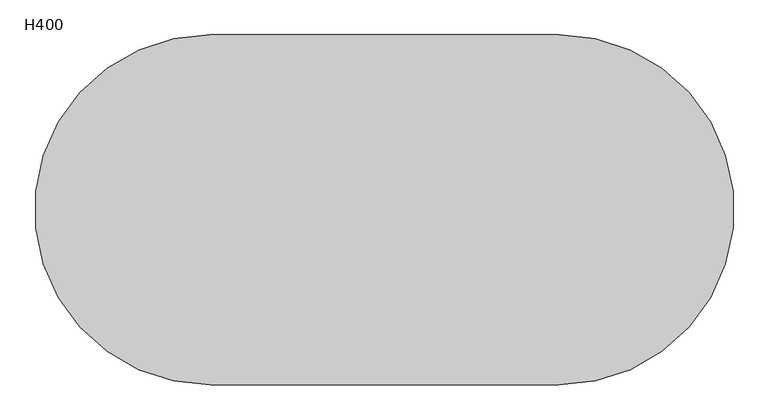
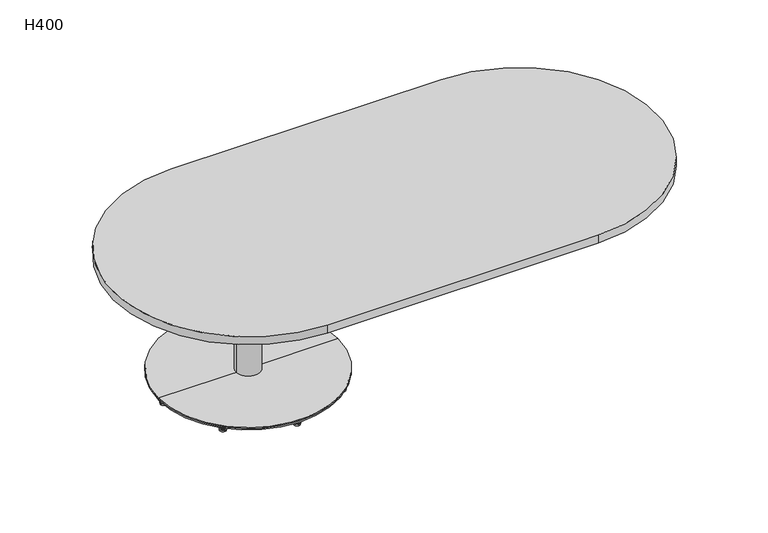
"""IFC4 building model written with IfcOpenShell, lengths in millimetres: furniture geometry, H400."""

from ifc_helpers import new_model, si_unit, point, frame, frame_2d, origin, origin_2d, place, context, project, spatial, polyline, circle_curve, trimmed, segment, composite_curve, outline, extrude, source, transform, mapped, element, save
from ifc_brep_helpers import plane_surface, cylinder_surface, revolved_surface, advanced_brep


def h400_eaf8d292(model_context):
    return source(origin(), model_context, "Body", "SolidModel", [
        advanced_brep(
        [(176.3714444, -169.4035477, 13.7177537), (176.3714444, -182.3758839, 13.7177537), (176.3714444, -175.8897158, 13.7177537), (176.3714444, -169.4035477, 9.5464368), (176.3714444, -182.3758839, 9.5464368), (176.3714444, -172.5447553, 9.5464368), (176.3714444, -179.2346763, 9.5464368), (176.3714444, -172.5447553, 6.7188998), (176.3714444, -179.2346763, 6.7188998), (176.3714444, -168.8436177, 6.7188998), (176.3714444, -182.935814, 6.7188998), (176.3714444, -168.8436177, 5.5990832), (176.3714444, -182.935814, 5.5990832), (176.3714444, -165.7640024, 5.5990832), (176.3714444, -186.0154293, 5.5990832), (176.3714444, -166.8838625, 0.0), (176.3714444, -184.8955692, 0.0), (176.3714444, -175.8897158, 0.0)],
        [
            (0, 1, circle_curve(frame((176.3714444, -175.8897158, 13.7177537), z_axis=(0.0, 0.0, 1.0), x_axis=(0.0, -1.0, 0.0)), 6.4861681)),
            (1, 2),
            (2, 0),
            (1, 0, circle_curve(frame((176.3714444, -175.8897158, 13.7177537), z_axis=(0.0, 0.0, 1.0), x_axis=(0.0, -1.0, 0.0)), 6.4861681)),
            (3, 4, circle_curve(frame((176.3714444, -175.8897158, 9.5464368), z_axis=(0.0, 0.0, 1.0), x_axis=(0.0, -1.0, 0.0)), 6.4861681)),
            (4, 1),
            (0, 3),
            (4, 3, circle_curve(frame((176.3714444, -175.8897158, 9.5464368), z_axis=(0.0, 0.0, 1.0), x_axis=(0.0, -1.0, 0.0)), 6.4861681)),
            (5, 6, circle_curve(frame((176.3714444, -175.8897158, 9.5464368), z_axis=(0.0, 0.0, 1.0), x_axis=(0.0, -1.0, 0.0)), 3.3449605)),
            (6, 4),
            (3, 5),
            (6, 5, circle_curve(frame((176.3714444, -175.8897158, 9.5464368), z_axis=(0.0, 0.0, 1.0), x_axis=(0.0, -1.0, 0.0)), 3.3449605)),
            (7, 8, circle_curve(frame((176.3714444, -175.8897158, 6.7188998), z_axis=(0.0, 0.0, 1.0), x_axis=(0.0, -1.0, 0.0)), 3.3449605)),
            (8, 6),
            (5, 7),
            (8, 7, circle_curve(frame((176.3714444, -175.8897158, 6.7188998), z_axis=(0.0, 0.0, 1.0), x_axis=(0.0, -1.0, 0.0)), 3.3449605)),
            (9, 10, circle_curve(frame((176.3714444, -175.8897158, 6.7188998), z_axis=(0.0, 0.0, 1.0), x_axis=(0.0, -1.0, 0.0)), 7.0460981)),
            (10, 8),
            (7, 9),
            (10, 9, circle_curve(frame((176.3714444, -175.8897158, 6.7188998), z_axis=(0.0, 0.0, 1.0), x_axis=(0.0, -1.0, 0.0)), 7.0460981)),
            (11, 12, circle_curve(frame((176.3714444, -175.8897158, 5.5990832), z_axis=(0.0, 0.0, 1.0), x_axis=(0.0, -1.0, 0.0)), 7.0460981)),
            (12, 10),
            (9, 11),
            (12, 11, circle_curve(frame((176.3714444, -175.8897158, 5.5990832), z_axis=(0.0, 0.0, 1.0), x_axis=(0.0, -1.0, 0.0)), 7.0460981)),
            (13, 14, circle_curve(frame((176.3714444, -175.8897158, 5.5990832), z_axis=(0.0, 0.0, 1.0), x_axis=(0.0, -1.0, 0.0)), 10.1257135)),
            (14, 12),
            (11, 13),
            (14, 13, circle_curve(frame((176.3714444, -175.8897158, 5.5990832), z_axis=(0.0, 0.0, 1.0), x_axis=(0.0, -1.0, 0.0)), 10.1257135)),
            (15, 16, circle_curve(frame((176.3714444, -175.8897158, 0.0), z_axis=(0.0, 0.0, 1.0), x_axis=(0.0, -1.0, 0.0)), 9.0058533)),
            (16, 14),
            (13, 15),
            (16, 15, circle_curve(frame((176.3714444, -175.8897158, 0.0), z_axis=(0.0, 0.0, 1.0), x_axis=(0.0, -1.0, 0.0)), 9.0058533)),
            (17, 16),
            (15, 17),
        ],
        [
            plane_surface(frame((176.3714444, -175.8897158, 13.7177537), z_axis=(0.0, 0.0, 1.0), x_axis=(0.0, -1.0, 0.0))),
            cylinder_surface(frame((176.3714444, -175.8897158, 9.5464368), z_axis=(0.0, 0.0, -1.0), x_axis=(0.0, -1.0, 0.0)), 6.4861681),
            plane_surface(frame((176.3714444, -175.8897158, 9.5464368), z_axis=(0.0, 0.0, -1.0), x_axis=(0.0, -1.0, 0.0))),
            cylinder_surface(frame((176.3714444, -175.8897158, 9.5464368), z_axis=(0.0, 0.0, -1.0), x_axis=(0.0, -1.0, 0.0)), 3.3449605),
            plane_surface(frame((176.3714444, -175.8897158, 6.7188998), z_axis=(0.0, 0.0, 1.0), x_axis=(0.0, -1.0, 0.0))),
            cylinder_surface(frame((176.3714444, -175.8897158, 9.5464368), z_axis=(0.0, 0.0, -1.0), x_axis=(0.0, -1.0, 0.0)), 7.0460981),
            plane_surface(frame((176.3714444, -175.8897158, 5.5990832), z_axis=(0.0, 0.0, 1.0), x_axis=(0.0, -1.0, 0.0))),
            revolved_surface(polyline([(176.3714444, -186.0154293, 5.5990832), (176.3714444, -184.8955692, 0.0)]), (176.3714444, -175.8897158, 9.5464368), (0.0, 0.0, -1.0)),
            plane_surface(frame((176.3714444, -175.8897158, 0.0), z_axis=(0.0, 0.0, -1.0), x_axis=(0.0, -1.0, 0.0))),
        ],
        [
            (0, [[1, 2, 3]]),
            (0, [[4, -3, -2]]),
            (1, [[5, 6, -1, 7]]),
            (1, [[8, -7, -4, -6]]),
            (2, [[9, 10, -5, 11]]),
            (2, [[12, -11, -8, -10]]),
            (3, [[13, 14, -9, 15]]),
            (3, [[16, -15, -12, -14]]),
            (4, [[17, 18, -13, 19]]),
            (4, [[20, -19, -16, -18]]),
            (5, [[21, 22, -17, 23]]),
            (5, [[24, -23, -20, -22]]),
            (6, [[25, 26, -21, 27]]),
            (6, [[28, -27, -24, -26]]),
            (7, [[29, 30, -25, 31]]),
            (7, [[32, -31, -28, -30]]),
            (8, [[33, -29, 34]]),
            (8, [[-34, -32, -33]]),
        ],
    ),
        advanced_brep(
        [(-176.3170223, -170.3861024, 13.7177537), (-176.3170223, -183.3584386, 13.7177537), (-176.3170223, -176.8722705, 13.7177537), (-176.3170223, -170.3861024, 9.5464368), (-176.3170223, -183.3584386, 9.5464368), (-176.3170223, -173.52731, 9.5464368), (-176.3170223, -180.217231, 9.5464368), (-176.3170223, -173.52731, 6.7188998), (-176.3170223, -180.217231, 6.7188998), (-176.3170223, -169.8261723, 6.7188998), (-176.3170223, -183.9183686, 6.7188998), (-176.3170223, -169.8261723, 5.5990832), (-176.3170223, -183.9183686, 5.5990832), (-176.3170223, -166.746557, 5.5990832), (-176.3170223, -186.9979839, 5.5990832), (-176.3170223, -167.8664171, 0.0), (-176.3170223, -185.8781238, 0.0), (-176.3170223, -176.8722705, 0.0)],
        [
            (0, 1, circle_curve(frame((-176.3170223, -176.8722705, 13.7177537), z_axis=(0.0, 0.0, 1.0), x_axis=(0.0, -1.0, 0.0)), 6.4861681)),
            (1, 2),
            (2, 0),
            (1, 0, circle_curve(frame((-176.3170223, -176.8722705, 13.7177537), z_axis=(0.0, 0.0, 1.0), x_axis=(0.0, -1.0, 0.0)), 6.4861681)),
            (3, 4, circle_curve(frame((-176.3170223, -176.8722705, 9.5464368), z_axis=(0.0, 0.0, 1.0), x_axis=(0.0, -1.0, 0.0)), 6.4861681)),
            (4, 1),
            (0, 3),
            (4, 3, circle_curve(frame((-176.3170223, -176.8722705, 9.5464368), z_axis=(0.0, 0.0, 1.0), x_axis=(0.0, -1.0, 0.0)), 6.4861681)),
            (5, 6, circle_curve(frame((-176.3170223, -176.8722705, 9.5464368), z_axis=(0.0, 0.0, 1.0), x_axis=(0.0, -1.0, 0.0)), 3.3449605)),
            (6, 4),
            (3, 5),
            (6, 5, circle_curve(frame((-176.3170223, -176.8722705, 9.5464368), z_axis=(0.0, 0.0, 1.0), x_axis=(0.0, -1.0, 0.0)), 3.3449605)),
            (7, 8, circle_curve(frame((-176.3170223, -176.8722705, 6.7188998), z_axis=(0.0, 0.0, 1.0), x_axis=(0.0, -1.0, 0.0)), 3.3449605)),
            (8, 6),
            (5, 7),
            (8, 7, circle_curve(frame((-176.3170223, -176.8722705, 6.7188998), z_axis=(0.0, 0.0, 1.0), x_axis=(0.0, -1.0, 0.0)), 3.3449605)),
            (9, 10, circle_curve(frame((-176.3170223, -176.8722705, 6.7188998), z_axis=(0.0, 0.0, 1.0), x_axis=(0.0, -1.0, 0.0)), 7.0460981)),
            (10, 8),
            (7, 9),
            (10, 9, circle_curve(frame((-176.3170223, -176.8722705, 6.7188998), z_axis=(0.0, 0.0, 1.0), x_axis=(0.0, -1.0, 0.0)), 7.0460981)),
            (11, 12, circle_curve(frame((-176.3170223, -176.8722705, 5.5990832), z_axis=(0.0, 0.0, 1.0), x_axis=(0.0, -1.0, 0.0)), 7.0460981)),
            (12, 10),
            (9, 11),
            (12, 11, circle_curve(frame((-176.3170223, -176.8722705, 5.5990832), z_axis=(0.0, 0.0, 1.0), x_axis=(0.0, -1.0, 0.0)), 7.0460981)),
            (13, 14, circle_curve(frame((-176.3170223, -176.8722705, 5.5990832), z_axis=(0.0, 0.0, 1.0), x_axis=(0.0, -1.0, 0.0)), 10.1257135)),
            (14, 12),
            (11, 13),
            (14, 13, circle_curve(frame((-176.3170223, -176.8722705, 5.5990832), z_axis=(0.0, 0.0, 1.0), x_axis=(0.0, -1.0, 0.0)), 10.1257135)),
            (15, 16, circle_curve(frame((-176.3170223, -176.8722705, 0.0), z_axis=(0.0, 0.0, 1.0), x_axis=(0.0, -1.0, 0.0)), 9.0058533)),
            (16, 14),
            (13, 15),
            (16, 15, circle_curve(frame((-176.3170223, -176.8722705, 0.0), z_axis=(0.0, 0.0, 1.0), x_axis=(0.0, -1.0, 0.0)), 9.0058533)),
            (17, 16),
            (15, 17),
        ],
        [
            plane_surface(frame((-176.3170223, -176.8722705, 13.7177537), z_axis=(0.0, 0.0, 1.0), x_axis=(0.0, -1.0, 0.0))),
            cylinder_surface(frame((-176.3170223, -176.8722705, 9.5464368), z_axis=(0.0, 0.0, -1.0), x_axis=(0.0, -1.0, 0.0)), 6.4861681),
            plane_surface(frame((-176.3170223, -176.8722705, 9.5464368), z_axis=(0.0, 0.0, -1.0), x_axis=(0.0, -1.0, 0.0))),
            cylinder_surface(frame((-176.3170223, -176.8722705, 9.5464368), z_axis=(0.0, 0.0, -1.0), x_axis=(0.0, -1.0, 0.0)), 3.3449605),
            plane_surface(frame((-176.3170223, -176.8722705, 6.7188998), z_axis=(0.0, 0.0, 1.0), x_axis=(0.0, -1.0, 0.0))),
            cylinder_surface(frame((-176.3170223, -176.8722705, 9.5464368), z_axis=(0.0, 0.0, -1.0), x_axis=(0.0, -1.0, 0.0)), 7.0460981),
            plane_surface(frame((-176.3170223, -176.8722705, 5.5990832), z_axis=(0.0, 0.0, 1.0), x_axis=(0.0, -1.0, 0.0))),
            revolved_surface(polyline([(-176.3170223, -186.9979839, 5.5990832), (-176.3170223, -185.8781238, 0.0)]), (-176.3170223, -176.8722705, 9.5464368), (0.0, 0.0, -1.0)),
            plane_surface(frame((-176.3170223, -176.8722705, 0.0), z_axis=(0.0, 0.0, -1.0), x_axis=(0.0, -1.0, 0.0))),
        ],
        [
            (0, [[1, 2, 3]]),
            (0, [[4, -3, -2]]),
            (1, [[5, 6, -1, 7]]),
            (1, [[8, -7, -4, -6]]),
            (2, [[9, 10, -5, 11]]),
            (2, [[12, -11, -8, -10]]),
            (3, [[13, 14, -9, 15]]),
            (3, [[16, -15, -12, -14]]),
            (4, [[17, 18, -13, 19]]),
            (4, [[20, -19, -16, -18]]),
            (5, [[21, 22, -17, 23]]),
            (5, [[24, -23, -20, -22]]),
            (6, [[25, 26, -21, 27]]),
            (6, [[28, -27, -24, -26]]),
            (7, [[29, 30, -25, 31]]),
            (7, [[32, -31, -28, -30]]),
            (8, [[33, -29, 34]]),
            (8, [[-34, -32, -33]]),
        ],
    ),
        advanced_brep(
        [(176.8722705, 176.3170223, 13.7177537), (183.3584386, 176.3170223, 13.7177537), (170.3861024, 176.3170223, 13.7177537), (183.3584386, 176.3170223, 9.5464368), (170.3861024, 176.3170223, 9.5464368), (180.217231, 176.3170223, 9.5464368), (173.52731, 176.3170223, 9.5464368), (180.217231, 176.3170223, 6.7188998), (173.52731, 176.3170223, 6.7188998), (183.9183686, 176.3170223, 6.7188998), (169.8261723, 176.3170223, 6.7188998), (183.9183686, 176.3170223, 5.5990832), (169.8261723, 176.3170223, 5.5990832), (186.9979839, 176.3170223, 5.5990832), (166.746557, 176.3170223, 5.5990832), (185.8781238, 176.3170223, 0.0), (167.8664171, 176.3170223, 0.0), (176.8722705, 176.3170223, 0.0)],
        [
            (0, 1),
            (1, 2, circle_curve(frame((176.8722705, 176.3170223, 13.7177537), z_axis=(0.0, 0.0, 1.0), x_axis=(1.0, 0.0, 0.0)), 6.4861681)),
            (2, 0),
            (2, 1, circle_curve(frame((176.8722705, 176.3170223, 13.7177537), z_axis=(0.0, 0.0, 1.0), x_axis=(1.0, 0.0, 0.0)), 6.4861681)),
            (1, 3),
            (3, 4, circle_curve(frame((176.8722705, 176.3170223, 9.5464368), z_axis=(0.0, 0.0, 1.0), x_axis=(1.0, 0.0, 0.0)), 6.4861681)),
            (4, 2),
            (4, 3, circle_curve(frame((176.8722705, 176.3170223, 9.5464368), z_axis=(0.0, 0.0, 1.0), x_axis=(1.0, 0.0, 0.0)), 6.4861681)),
            (3, 5),
            (5, 6, circle_curve(frame((176.8722705, 176.3170223, 9.5464368), z_axis=(0.0, 0.0, 1.0), x_axis=(1.0, 0.0, 0.0)), 3.3449605)),
            (6, 4),
            (6, 5, circle_curve(frame((176.8722705, 176.3170223, 9.5464368), z_axis=(0.0, 0.0, 1.0), x_axis=(1.0, 0.0, 0.0)), 3.3449605)),
            (5, 7),
            (7, 8, circle_curve(frame((176.8722705, 176.3170223, 6.7188998), z_axis=(0.0, 0.0, 1.0), x_axis=(1.0, 0.0, 0.0)), 3.3449605)),
            (8, 6),
            (8, 7, circle_curve(frame((176.8722705, 176.3170223, 6.7188998), z_axis=(0.0, 0.0, 1.0), x_axis=(1.0, 0.0, 0.0)), 3.3449605)),
            (7, 9),
            (9, 10, circle_curve(frame((176.8722705, 176.3170223, 6.7188998), z_axis=(0.0, 0.0, 1.0), x_axis=(1.0, 0.0, 0.0)), 7.0460981)),
            (10, 8),
            (10, 9, circle_curve(frame((176.8722705, 176.3170223, 6.7188998), z_axis=(0.0, 0.0, 1.0), x_axis=(1.0, 0.0, 0.0)), 7.0460981)),
            (9, 11),
            (11, 12, circle_curve(frame((176.8722705, 176.3170223, 5.5990832), z_axis=(0.0, 0.0, 1.0), x_axis=(1.0, 0.0, 0.0)), 7.0460981)),
            (12, 10),
            (12, 11, circle_curve(frame((176.8722705, 176.3170223, 5.5990832), z_axis=(0.0, 0.0, 1.0), x_axis=(1.0, 0.0, 0.0)), 7.0460981)),
            (11, 13),
            (13, 14, circle_curve(frame((176.8722705, 176.3170223, 5.5990832), z_axis=(0.0, 0.0, 1.0), x_axis=(1.0, 0.0, 0.0)), 10.1257135)),
            (14, 12),
            (14, 13, circle_curve(frame((176.8722705, 176.3170223, 5.5990832), z_axis=(0.0, 0.0, 1.0), x_axis=(1.0, 0.0, 0.0)), 10.1257135)),
            (13, 15),
            (15, 16, circle_curve(frame((176.8722705, 176.3170223, 0.0), z_axis=(0.0, 0.0, 1.0), x_axis=(1.0, 0.0, 0.0)), 9.0058533)),
            (16, 14),
            (16, 15, circle_curve(frame((176.8722705, 176.3170223, 0.0), z_axis=(0.0, 0.0, 1.0), x_axis=(1.0, 0.0, 0.0)), 9.0058533)),
            (15, 17),
            (17, 16),
        ],
        [
            plane_surface(frame((176.8722705, 176.3170223, 13.7177537), z_axis=(0.0, 0.0, 1.0), x_axis=(1.0, 0.0, 0.0))),
            cylinder_surface(frame((176.8722705, 176.3170223, 9.5464368), z_axis=(0.0, 0.0, 1.0), x_axis=(1.0, 0.0, 0.0)), 6.4861681),
            plane_surface(frame((176.8722705, 176.3170223, 9.5464368), z_axis=(0.0, 0.0, -1.0), x_axis=(1.0, 0.0, 0.0))),
            cylinder_surface(frame((176.8722705, 176.3170223, 9.5464368), z_axis=(0.0, 0.0, 1.0), x_axis=(1.0, 0.0, 0.0)), 3.3449605),
            plane_surface(frame((176.8722705, 176.3170223, 6.7188998), z_axis=(0.0, 0.0, 1.0), x_axis=(1.0, 0.0, 0.0))),
            cylinder_surface(frame((176.8722705, 176.3170223, 9.5464368), z_axis=(0.0, 0.0, 1.0), x_axis=(1.0, 0.0, 0.0)), 7.0460981),
            plane_surface(frame((176.8722705, 176.3170223, 5.5990832), z_axis=(0.0, 0.0, 1.0), x_axis=(1.0, 0.0, 0.0))),
            revolved_surface(polyline([(185.8781238, 176.3170223, 0.0), (186.9979839, 176.3170223, 5.5990832)]), (176.8722705, 176.3170223, 9.5464368), (0.0, 0.0, 1.0)),
            plane_surface(frame((176.8722705, 176.3170223, 0.0), z_axis=(0.0, 0.0, -1.0), x_axis=(1.0, 0.0, 0.0))),
        ],
        [
            (0, [[1, 2, 3]]),
            (0, [[-3, 4, -1]]),
            (1, [[-2, 5, 6, 7]]),
            (1, [[-4, -7, 8, -5]]),
            (2, [[-6, 9, 10, 11]]),
            (2, [[-8, -11, 12, -9]]),
            (3, [[-10, 13, 14, 15]]),
            (3, [[-12, -15, 16, -13]]),
            (4, [[-14, 17, 18, 19]]),
            (4, [[-16, -19, 20, -17]]),
            (5, [[-18, 21, 22, 23]]),
            (5, [[-20, -23, 24, -21]]),
            (6, [[-22, 25, 26, 27]]),
            (6, [[-24, -27, 28, -25]]),
            (7, [[-26, 29, 30, 31]]),
            (7, [[-28, -31, 32, -29]]),
            (8, [[-30, 33, 34]]),
            (8, [[-32, -34, -33]]),
        ],
    ),
        advanced_brep(
        [(0.0, 242.3827083, 13.7177537), (0.0, 255.3550445, 13.7177537), (0.0, 248.8688764, 13.7177537), (0.0, 242.3827083, 9.5464368), (0.0, 255.3550445, 9.5464368), (0.0, 245.5239159, 9.5464368), (0.0, 252.2138369, 9.5464368), (0.0, 245.5239159, 6.7188998), (0.0, 252.2138369, 6.7188998), (0.0, 241.8227782, 6.7188998), (0.0, 255.9149745, 6.7188998), (0.0, 241.8227782, 5.5990832), (0.0, 255.9149745, 5.5990832), (0.0, 238.7431629, 5.5990832), (0.0, 258.9945898, 5.5990832), (0.0, 239.863023, 0.0), (0.0, 257.8747297, 0.0), (0.0, 248.8688764, 0.0)],
        [
            (0, 1, circle_curve(frame((0.0, 248.8688764, 13.7177537), z_axis=(0.0, 0.0, 1.0), x_axis=(0.0, 1.0, 0.0)), 6.4861681)),
            (1, 2),
            (2, 0),
            (1, 0, circle_curve(frame((0.0, 248.8688764, 13.7177537), z_axis=(0.0, 0.0, 1.0), x_axis=(0.0, 1.0, 0.0)), 6.4861681)),
            (3, 4, circle_curve(frame((0.0, 248.8688764, 9.5464368), z_axis=(0.0, 0.0, 1.0), x_axis=(0.0, 1.0, 0.0)), 6.4861681)),
            (4, 1),
            (0, 3),
            (4, 3, circle_curve(frame((0.0, 248.8688764, 9.5464368), z_axis=(0.0, 0.0, 1.0), x_axis=(0.0, 1.0, 0.0)), 6.4861681)),
            (5, 6, circle_curve(frame((0.0, 248.8688764, 9.5464368), z_axis=(0.0, 0.0, 1.0), x_axis=(0.0, 1.0, 0.0)), 3.3449605)),
            (6, 4),
            (3, 5),
            (6, 5, circle_curve(frame((0.0, 248.8688764, 9.5464368), z_axis=(0.0, 0.0, 1.0), x_axis=(0.0, 1.0, 0.0)), 3.3449605)),
            (7, 8, circle_curve(frame((0.0, 248.8688764, 6.7188998), z_axis=(0.0, 0.0, 1.0), x_axis=(0.0, 1.0, 0.0)), 3.3449605)),
            (8, 6),
            (5, 7),
            (8, 7, circle_curve(frame((0.0, 248.8688764, 6.7188998), z_axis=(0.0, 0.0, 1.0), x_axis=(0.0, 1.0, 0.0)), 3.3449605)),
            (9, 10, circle_curve(frame((0.0, 248.8688764, 6.7188998), z_axis=(0.0, 0.0, 1.0), x_axis=(0.0, 1.0, 0.0)), 7.0460981)),
            (10, 8),
            (7, 9),
            (10, 9, circle_curve(frame((0.0, 248.8688764, 6.7188998), z_axis=(0.0, 0.0, 1.0), x_axis=(0.0, 1.0, 0.0)), 7.0460981)),
            (11, 12, circle_curve(frame((0.0, 248.8688764, 5.5990832), z_axis=(0.0, 0.0, 1.0), x_axis=(0.0, 1.0, 0.0)), 7.0460981)),
            (12, 10),
            (9, 11),
            (12, 11, circle_curve(frame((0.0, 248.8688764, 5.5990832), z_axis=(0.0, 0.0, 1.0), x_axis=(0.0, 1.0, 0.0)), 7.0460981)),
            (13, 14, circle_curve(frame((0.0, 248.8688764, 5.5990832), z_axis=(0.0, 0.0, 1.0), x_axis=(0.0, 1.0, 0.0)), 10.1257135)),
            (14, 12),
            (11, 13),
            (14, 13, circle_curve(frame((0.0, 248.8688764, 5.5990832), z_axis=(0.0, 0.0, 1.0), x_axis=(0.0, 1.0, 0.0)), 10.1257135)),
            (15, 16, circle_curve(frame((0.0, 248.8688764, 0.0), z_axis=(0.0, 0.0, 1.0), x_axis=(0.0, 1.0, 0.0)), 9.0058533)),
            (16, 14),
            (13, 15),
            (16, 15, circle_curve(frame((0.0, 248.8688764, 0.0), z_axis=(0.0, 0.0, 1.0), x_axis=(0.0, 1.0, 0.0)), 9.0058533)),
            (17, 16),
            (15, 17),
        ],
        [
            plane_surface(frame((0.0, 248.8688764, 13.7177537), z_axis=(0.0, 0.0, 1.0), x_axis=(0.0, 1.0, 0.0))),
            cylinder_surface(frame((0.0, 248.8688764, 9.5464368), z_axis=(0.0, 0.0, -1.0), x_axis=(0.0, 1.0, 0.0)), 6.4861681),
            plane_surface(frame((0.0, 248.8688764, 9.5464368), z_axis=(0.0, 0.0, -1.0), x_axis=(0.0, 1.0, 0.0))),
            cylinder_surface(frame((0.0, 248.8688764, 9.5464368), z_axis=(0.0, 0.0, -1.0), x_axis=(0.0, 1.0, 0.0)), 3.3449605),
            plane_surface(frame((0.0, 248.8688764, 6.7188998), z_axis=(0.0, 0.0, 1.0), x_axis=(0.0, 1.0, 0.0))),
            cylinder_surface(frame((0.0, 248.8688764, 9.5464368), z_axis=(0.0, 0.0, -1.0), x_axis=(0.0, 1.0, 0.0)), 7.0460981),
            plane_surface(frame((0.0, 248.8688764, 5.5990832), z_axis=(0.0, 0.0, 1.0), x_axis=(0.0, 1.0, 0.0))),
            revolved_surface(polyline([(0.0, 258.9945898, 5.5990832), (0.0, 257.8747297, 0.0)]), (0.0, 248.8688764, 9.5464368), (0.0, 0.0, -1.0)),
            plane_surface(frame((0.0, 248.8688764, 0.0), z_axis=(0.0, 0.0, -1.0), x_axis=(0.0, 1.0, 0.0))),
        ],
        [
            (0, [[1, 2, 3]]),
            (0, [[4, -3, -2]]),
            (1, [[5, 6, -1, 7]]),
            (1, [[8, -7, -4, -6]]),
            (2, [[9, 10, -5, 11]]),
            (2, [[12, -11, -8, -10]]),
            (3, [[13, 14, -9, 15]]),
            (3, [[16, -15, -12, -14]]),
            (4, [[17, 18, -13, 19]]),
            (4, [[20, -19, -16, -18]]),
            (5, [[21, 22, -17, 23]]),
            (5, [[24, -23, -20, -22]]),
            (6, [[25, 26, -21, 27]]),
            (6, [[28, -27, -24, -26]]),
            (7, [[29, 30, -25, 31]]),
            (7, [[32, -31, -28, -30]]),
            (8, [[33, -29, 34]]),
            (8, [[-34, -32, -33]]),
        ],
    ),
        advanced_brep(
        [(0.0, -242.3827083, 13.7177537), (0.0, -255.3550445, 13.7177537), (0.0, -248.8688764, 13.7177537), (0.0, -242.3827083, 9.5464368), (0.0, -255.3550445, 9.5464368), (0.0, -245.5239159, 9.5464368), (0.0, -252.2138369, 9.5464368), (0.0, -245.5239159, 6.7188998), (0.0, -252.2138369, 6.7188998), (0.0, -241.8227782, 6.7188998), (0.0, -255.9149745, 6.7188998), (0.0, -241.8227782, 5.5990832), (0.0, -255.9149745, 5.5990832), (0.0, -238.7431629, 5.5990832), (0.0, -258.9945898, 5.5990832), (0.0, -239.863023, 0.0), (0.0, -257.8747297, 0.0), (0.0, -248.8688764, 0.0)],
        [
            (0, 1, circle_curve(frame((0.0, -248.8688764, 13.7177537), z_axis=(0.0, 0.0, 1.0), x_axis=(0.0, -1.0, 0.0)), 6.4861681)),
            (1, 2),
            (2, 0),
            (1, 0, circle_curve(frame((0.0, -248.8688764, 13.7177537), z_axis=(0.0, 0.0, 1.0), x_axis=(0.0, -1.0, 0.0)), 6.4861681)),
            (3, 4, circle_curve(frame((0.0, -248.8688764, 9.5464368), z_axis=(0.0, 0.0, 1.0), x_axis=(0.0, -1.0, 0.0)), 6.4861681)),
            (4, 1),
            (0, 3),
            (4, 3, circle_curve(frame((0.0, -248.8688764, 9.5464368), z_axis=(0.0, 0.0, 1.0), x_axis=(0.0, -1.0, 0.0)), 6.4861681)),
            (5, 6, circle_curve(frame((0.0, -248.8688764, 9.5464368), z_axis=(0.0, 0.0, 1.0), x_axis=(0.0, -1.0, 0.0)), 3.3449605)),
            (6, 4),
            (3, 5),
            (6, 5, circle_curve(frame((0.0, -248.8688764, 9.5464368), z_axis=(0.0, 0.0, 1.0), x_axis=(0.0, -1.0, 0.0)), 3.3449605)),
            (7, 8, circle_curve(frame((0.0, -248.8688764, 6.7188998), z_axis=(0.0, 0.0, 1.0), x_axis=(0.0, -1.0, 0.0)), 3.3449605)),
            (8, 6),
            (5, 7),
            (8, 7, circle_curve(frame((0.0, -248.8688764, 6.7188998), z_axis=(0.0, 0.0, 1.0), x_axis=(0.0, -1.0, 0.0)), 3.3449605)),
            (9, 10, circle_curve(frame((0.0, -248.8688764, 6.7188998), z_axis=(0.0, 0.0, 1.0), x_axis=(0.0, -1.0, 0.0)), 7.0460981)),
            (10, 8),
            (7, 9),
            (10, 9, circle_curve(frame((0.0, -248.8688764, 6.7188998), z_axis=(0.0, 0.0, 1.0), x_axis=(0.0, -1.0, 0.0)), 7.0460981)),
            (11, 12, circle_curve(frame((0.0, -248.8688764, 5.5990832), z_axis=(0.0, 0.0, 1.0), x_axis=(0.0, -1.0, 0.0)), 7.0460981)),
            (12, 10),
            (9, 11),
            (12, 11, circle_curve(frame((0.0, -248.8688764, 5.5990832), z_axis=(0.0, 0.0, 1.0), x_axis=(0.0, -1.0, 0.0)), 7.0460981)),
            (13, 14, circle_curve(frame((0.0, -248.8688764, 5.5990832), z_axis=(0.0, 0.0, 1.0), x_axis=(0.0, -1.0, 0.0)), 10.1257135)),
            (14, 12),
            (11, 13),
            (14, 13, circle_curve(frame((0.0, -248.8688764, 5.5990832), z_axis=(0.0, 0.0, 1.0), x_axis=(0.0, -1.0, 0.0)), 10.1257135)),
            (15, 16, circle_curve(frame((0.0, -248.8688764, 0.0), z_axis=(0.0, 0.0, 1.0), x_axis=(0.0, -1.0, 0.0)), 9.0058533)),
            (16, 14),
            (13, 15),
            (16, 15, circle_curve(frame((0.0, -248.8688764, 0.0), z_axis=(0.0, 0.0, 1.0), x_axis=(0.0, -1.0, 0.0)), 9.0058533)),
            (17, 16),
            (15, 17),
        ],
        [
            plane_surface(frame((0.0, -248.8688764, 13.7177537), z_axis=(0.0, 0.0, 1.0), x_axis=(0.0, -1.0, 0.0))),
            cylinder_surface(frame((0.0, -248.8688764, 9.5464368), z_axis=(0.0, 0.0, -1.0), x_axis=(0.0, -1.0, 0.0)), 6.4861681),
            plane_surface(frame((0.0, -248.8688764, 9.5464368), z_axis=(0.0, 0.0, -1.0), x_axis=(0.0, -1.0, 0.0))),
            cylinder_surface(frame((0.0, -248.8688764, 9.5464368), z_axis=(0.0, 0.0, -1.0), x_axis=(0.0, -1.0, 0.0)), 3.3449605),
            plane_surface(frame((0.0, -248.8688764, 6.7188998), z_axis=(0.0, 0.0, 1.0), x_axis=(0.0, -1.0, 0.0))),
            cylinder_surface(frame((0.0, -248.8688764, 9.5464368), z_axis=(0.0, 0.0, -1.0), x_axis=(0.0, -1.0, 0.0)), 7.0460981),
            plane_surface(frame((0.0, -248.8688764, 5.5990832), z_axis=(0.0, 0.0, 1.0), x_axis=(0.0, -1.0, 0.0))),
            revolved_surface(polyline([(0.0, -258.9945898, 5.5990832), (0.0, -257.8747297, 0.0)]), (0.0, -248.8688764, 9.5464368), (0.0, 0.0, -1.0)),
            plane_surface(frame((0.0, -248.8688764, 0.0), z_axis=(0.0, 0.0, -1.0), x_axis=(0.0, -1.0, 0.0))),
        ],
        [
            (0, [[1, 2, 3]]),
            (0, [[4, -3, -2]]),
            (1, [[5, 6, -1, 7]]),
            (1, [[8, -7, -4, -6]]),
            (2, [[9, 10, -5, 11]]),
            (2, [[12, -11, -8, -10]]),
            (3, [[13, 14, -9, 15]]),
            (3, [[16, -15, -12, -14]]),
            (4, [[17, 18, -13, 19]]),
            (4, [[20, -19, -16, -18]]),
            (5, [[21, 22, -17, 23]]),
            (5, [[24, -23, -20, -22]]),
            (6, [[25, 26, -21, 27]]),
            (6, [[28, -27, -24, -26]]),
            (7, [[29, 30, -25, 31]]),
            (7, [[32, -31, -28, -30]]),
            (8, [[33, -29, 34]]),
            (8, [[-34, -32, -33]]),
        ],
    ),
        advanced_brep(
        [(248.8688764, 0.0, 13.7177537), (255.3550445, 0.0, 13.7177537), (242.3827083, 0.0, 13.7177537), (255.3550445, 0.0, 9.5464368), (242.3827083, 0.0, 9.5464368), (252.2138369, 0.0, 9.5464368), (245.5239159, 0.0, 9.5464368), (252.2138369, 0.0, 6.7188998), (245.5239159, 0.0, 6.7188998), (255.9149745, 0.0, 6.7188998), (241.8227782, 0.0, 6.7188998), (255.9149745, 0.0, 5.5990832), (241.8227782, 0.0, 5.5990832), (258.9945898, 0.0, 5.5990832), (238.7431629, 0.0, 5.5990832), (257.8747297, 0.0, 0.0), (239.863023, 0.0, 0.0), (248.8688764, 0.0, 0.0)],
        [
            (0, 1),
            (1, 2, circle_curve(frame((248.8688764, 0.0, 13.7177537), z_axis=(0.0, 0.0, 1.0), x_axis=(1.0, 0.0, 0.0)), 6.4861681)),
            (2, 0),
            (2, 1, circle_curve(frame((248.8688764, 0.0, 13.7177537), z_axis=(0.0, 0.0, 1.0), x_axis=(1.0, 0.0, 0.0)), 6.4861681)),
            (1, 3),
            (3, 4, circle_curve(frame((248.8688764, 0.0, 9.5464368), z_axis=(0.0, 0.0, 1.0), x_axis=(1.0, 0.0, 0.0)), 6.4861681)),
            (4, 2),
            (4, 3, circle_curve(frame((248.8688764, 0.0, 9.5464368), z_axis=(0.0, 0.0, 1.0), x_axis=(1.0, 0.0, 0.0)), 6.4861681)),
            (3, 5),
            (5, 6, circle_curve(frame((248.8688764, 0.0, 9.5464368), z_axis=(0.0, 0.0, 1.0), x_axis=(1.0, 0.0, 0.0)), 3.3449605)),
            (6, 4),
            (6, 5, circle_curve(frame((248.8688764, 0.0, 9.5464368), z_axis=(0.0, 0.0, 1.0), x_axis=(1.0, 0.0, 0.0)), 3.3449605)),
            (5, 7),
            (7, 8, circle_curve(frame((248.8688764, 0.0, 6.7188998), z_axis=(0.0, 0.0, 1.0), x_axis=(1.0, 0.0, 0.0)), 3.3449605)),
            (8, 6),
            (8, 7, circle_curve(frame((248.8688764, 0.0, 6.7188998), z_axis=(0.0, 0.0, 1.0), x_axis=(1.0, 0.0, 0.0)), 3.3449605)),
            (7, 9),
            (9, 10, circle_curve(frame((248.8688764, 0.0, 6.7188998), z_axis=(0.0, 0.0, 1.0), x_axis=(1.0, 0.0, 0.0)), 7.0460981)),
            (10, 8),
            (10, 9, circle_curve(frame((248.8688764, 0.0, 6.7188998), z_axis=(0.0, 0.0, 1.0), x_axis=(1.0, 0.0, 0.0)), 7.0460981)),
            (9, 11),
            (11, 12, circle_curve(frame((248.8688764, 0.0, 5.5990832), z_axis=(0.0, 0.0, 1.0), x_axis=(1.0, 0.0, 0.0)), 7.0460981)),
            (12, 10),
            (12, 11, circle_curve(frame((248.8688764, 0.0, 5.5990832), z_axis=(0.0, 0.0, 1.0), x_axis=(1.0, 0.0, 0.0)), 7.0460981)),
            (11, 13),
            (13, 14, circle_curve(frame((248.8688764, 0.0, 5.5990832), z_axis=(0.0, 0.0, 1.0), x_axis=(1.0, 0.0, 0.0)), 10.1257135)),
            (14, 12),
            (14, 13, circle_curve(frame((248.8688764, 0.0, 5.5990832), z_axis=(0.0, 0.0, 1.0), x_axis=(1.0, 0.0, 0.0)), 10.1257135)),
            (13, 15),
            (15, 16, circle_curve(frame((248.8688764, 0.0, 0.0), z_axis=(0.0, 0.0, 1.0), x_axis=(1.0, 0.0, 0.0)), 9.0058533)),
            (16, 14),
            (16, 15, circle_curve(frame((248.8688764, 0.0, 0.0), z_axis=(0.0, 0.0, 1.0), x_axis=(1.0, 0.0, 0.0)), 9.0058533)),
            (15, 17),
            (17, 16),
        ],
        [
            plane_surface(frame((248.8688764, 0.0, 13.7177537), z_axis=(0.0, 0.0, 1.0), x_axis=(1.0, 0.0, 0.0))),
            cylinder_surface(frame((248.8688764, 0.0, 9.5464368), z_axis=(0.0, 0.0, 1.0), x_axis=(1.0, 0.0, 0.0)), 6.4861681),
            plane_surface(frame((248.8688764, 0.0, 9.5464368), z_axis=(0.0, 0.0, -1.0), x_axis=(1.0, 0.0, 0.0))),
            cylinder_surface(frame((248.8688764, 0.0, 9.5464368), z_axis=(0.0, 0.0, 1.0), x_axis=(1.0, 0.0, 0.0)), 3.3449605),
            plane_surface(frame((248.8688764, 0.0, 6.7188998), z_axis=(0.0, 0.0, 1.0), x_axis=(1.0, 0.0, 0.0))),
            cylinder_surface(frame((248.8688764, 0.0, 9.5464368), z_axis=(0.0, 0.0, 1.0), x_axis=(1.0, 0.0, 0.0)), 7.0460981),
            plane_surface(frame((248.8688764, 0.0, 5.5990832), z_axis=(0.0, 0.0, 1.0), x_axis=(1.0, 0.0, 0.0))),
            revolved_surface(polyline([(257.8747297, 0.0, 0.0), (258.9945898, 0.0, 5.5990832)]), (248.8688764, 0.0, 9.5464368), (0.0, 0.0, 1.0)),
            plane_surface(frame((248.8688764, 0.0, 0.0), z_axis=(0.0, 0.0, -1.0), x_axis=(1.0, 0.0, 0.0))),
        ],
        [
            (0, [[1, 2, 3]]),
            (0, [[-3, 4, -1]]),
            (1, [[-2, 5, 6, 7]]),
            (1, [[-4, -7, 8, -5]]),
            (2, [[-6, 9, 10, 11]]),
            (2, [[-8, -11, 12, -9]]),
            (3, [[-10, 13, 14, 15]]),
            (3, [[-12, -15, 16, -13]]),
            (4, [[-14, 17, 18, 19]]),
            (4, [[-16, -19, 20, -17]]),
            (5, [[-18, 21, 22, 23]]),
            (5, [[-20, -23, 24, -21]]),
            (6, [[-22, 25, 26, 27]]),
            (6, [[-24, -27, 28, -25]]),
            (7, [[-26, 29, 30, 31]]),
            (7, [[-28, -31, 32, -29]]),
            (8, [[-30, 33, 34]]),
            (8, [[-32, -34, -33]]),
        ],
    ),
        advanced_brep(
        [(-242.3827083, 0.0, 13.7177537), (-255.3550445, 0.0, 13.7177537), (-248.8688764, 0.0, 13.7177537), (-242.3827083, 0.0, 9.5464368), (-255.3550445, 0.0, 9.5464368), (-245.5239159, 0.0, 9.5464368), (-252.2138369, 0.0, 9.5464368), (-245.5239159, 0.0, 6.7188998), (-252.2138369, 0.0, 6.7188998), (-241.8227782, 0.0, 6.7188998), (-255.9149745, 0.0, 6.7188998), (-241.8227782, 0.0, 5.5990832), (-255.9149745, 0.0, 5.5990832), (-238.7431629, 0.0, 5.5990832), (-258.9945898, 0.0, 5.5990832), (-239.863023, 0.0, 0.0), (-257.8747297, 0.0, 0.0), (-248.8688764, 0.0, 0.0)],
        [
            (0, 1, circle_curve(frame((-248.8688764, 0.0, 13.7177537), z_axis=(0.0, 0.0, 1.0), x_axis=(-1.0, 0.0, 0.0)), 6.4861681)),
            (1, 2),
            (2, 0),
            (1, 0, circle_curve(frame((-248.8688764, 0.0, 13.7177537), z_axis=(0.0, 0.0, 1.0), x_axis=(-1.0, 0.0, 0.0)), 6.4861681)),
            (3, 4, circle_curve(frame((-248.8688764, 0.0, 9.5464368), z_axis=(0.0, 0.0, 1.0), x_axis=(-1.0, 0.0, 0.0)), 6.4861681)),
            (4, 1),
            (0, 3),
            (4, 3, circle_curve(frame((-248.8688764, 0.0, 9.5464368), z_axis=(0.0, 0.0, 1.0), x_axis=(-1.0, 0.0, 0.0)), 6.4861681)),
            (5, 6, circle_curve(frame((-248.8688764, 0.0, 9.5464368), z_axis=(0.0, 0.0, 1.0), x_axis=(-1.0, 0.0, 0.0)), 3.3449605)),
            (6, 4),
            (3, 5),
            (6, 5, circle_curve(frame((-248.8688764, 0.0, 9.5464368), z_axis=(0.0, 0.0, 1.0), x_axis=(-1.0, 0.0, 0.0)), 3.3449605)),
            (7, 8, circle_curve(frame((-248.8688764, 0.0, 6.7188998), z_axis=(0.0, 0.0, 1.0), x_axis=(-1.0, 0.0, 0.0)), 3.3449605)),
            (8, 6),
            (5, 7),
            (8, 7, circle_curve(frame((-248.8688764, 0.0, 6.7188998), z_axis=(0.0, 0.0, 1.0), x_axis=(-1.0, 0.0, 0.0)), 3.3449605)),
            (9, 10, circle_curve(frame((-248.8688764, 0.0, 6.7188998), z_axis=(0.0, 0.0, 1.0), x_axis=(-1.0, 0.0, 0.0)), 7.0460981)),
            (10, 8),
            (7, 9),
            (10, 9, circle_curve(frame((-248.8688764, 0.0, 6.7188998), z_axis=(0.0, 0.0, 1.0), x_axis=(-1.0, 0.0, 0.0)), 7.0460981)),
            (11, 12, circle_curve(frame((-248.8688764, 0.0, 5.5990832), z_axis=(0.0, 0.0, 1.0), x_axis=(-1.0, 0.0, 0.0)), 7.0460981)),
            (12, 10),
            (9, 11),
            (12, 11, circle_curve(frame((-248.8688764, 0.0, 5.5990832), z_axis=(0.0, 0.0, 1.0), x_axis=(-1.0, 0.0, 0.0)), 7.0460981)),
            (13, 14, circle_curve(frame((-248.8688764, 0.0, 5.5990832), z_axis=(0.0, 0.0, 1.0), x_axis=(-1.0, 0.0, 0.0)), 10.1257135)),
            (14, 12),
            (11, 13),
            (14, 13, circle_curve(frame((-248.8688764, 0.0, 5.5990832), z_axis=(0.0, 0.0, 1.0), x_axis=(-1.0, 0.0, 0.0)), 10.1257135)),
            (15, 16, circle_curve(frame((-248.8688764, 0.0, 0.0), z_axis=(0.0, 0.0, 1.0), x_axis=(-1.0, 0.0, 0.0)), 9.0058533)),
            (16, 14),
            (13, 15),
            (16, 15, circle_curve(frame((-248.8688764, 0.0, 0.0), z_axis=(0.0, 0.0, 1.0), x_axis=(-1.0, 0.0, 0.0)), 9.0058533)),
            (17, 16),
            (15, 17),
        ],
        [
            plane_surface(frame((-248.8688764, 0.0, 13.7177537), z_axis=(0.0, 0.0, 1.0), x_axis=(-1.0, 0.0, 0.0))),
            cylinder_surface(frame((-248.8688764, 0.0, 9.5464368), z_axis=(0.0, 0.0, -1.0), x_axis=(-1.0, 0.0, 0.0)), 6.4861681),
            plane_surface(frame((-248.8688764, 0.0, 9.5464368), z_axis=(0.0, 0.0, -1.0), x_axis=(-1.0, 0.0, 0.0))),
            cylinder_surface(frame((-248.8688764, 0.0, 9.5464368), z_axis=(0.0, 0.0, -1.0), x_axis=(-1.0, 0.0, 0.0)), 3.3449605),
            plane_surface(frame((-248.8688764, 0.0, 6.7188998), z_axis=(0.0, 0.0, 1.0), x_axis=(-1.0, 0.0, 0.0))),
            cylinder_surface(frame((-248.8688764, 0.0, 9.5464368), z_axis=(0.0, 0.0, -1.0), x_axis=(-1.0, 0.0, 0.0)), 7.0460981),
            plane_surface(frame((-248.8688764, 0.0, 5.5990832), z_axis=(0.0, 0.0, 1.0), x_axis=(-1.0, 0.0, 0.0))),
            revolved_surface(polyline([(-258.9945898, 0.0, 5.5990832), (-257.8747297, 0.0, 0.0)]), (-248.8688764, 0.0, 9.5464368), (0.0, 0.0, -1.0)),
            plane_surface(frame((-248.8688764, 0.0, 0.0), z_axis=(0.0, 0.0, -1.0), x_axis=(-1.0, 0.0, 0.0))),
        ],
        [
            (0, [[1, 2, 3]]),
            (0, [[4, -3, -2]]),
            (1, [[5, 6, -1, 7]]),
            (1, [[8, -7, -4, -6]]),
            (2, [[9, 10, -5, 11]]),
            (2, [[12, -11, -8, -10]]),
            (3, [[13, 14, -9, 15]]),
            (3, [[16, -15, -12, -14]]),
            (4, [[17, 18, -13, 19]]),
            (4, [[20, -19, -16, -18]]),
            (5, [[21, 22, -17, 23]]),
            (5, [[24, -23, -20, -22]]),
            (6, [[25, 26, -21, 27]]),
            (6, [[28, -27, -24, -26]]),
            (7, [[29, 30, -25, 31]]),
            (7, [[32, -31, -28, -30]]),
            (8, [[33, -29, 34]]),
            (8, [[-34, -32, -33]]),
        ],
    ),
        advanced_brep(
        [(264.2669616, 0.0, 22.6762868), (-264.2669616, 0.0, 22.6762868), (0.0, 0.0, 22.6762868), (264.2669616, 0.0, 19.596791), (-264.2669616, 0.0, 19.596791), (262.3072064, 0.0, 19.596791), (-262.3072064, 0.0, 19.596791), (262.3072064, 0.0, 13.7177537), (-262.3072064, 0.0, 13.7177537), (0.0, 0.0, 13.7177537)],
        [
            (0, 1, circle_curve(frame((0.0, 0.0, 22.6762868), z_axis=(0.0, 0.0, 1.0), x_axis=(-1.0, 0.0, 0.0)), 264.2669616)),
            (1, 2),
            (2, 0),
            (1, 0, circle_curve(frame((0.0, 0.0, 22.6762868), z_axis=(0.0, 0.0, 1.0), x_axis=(-1.0, 0.0, 0.0)), 264.2669616)),
            (3, 4, circle_curve(frame((0.0, 0.0, 19.596791), z_axis=(0.0, 0.0, 1.0), x_axis=(-1.0, 0.0, 0.0)), 264.2669616)),
            (4, 1),
            (0, 3),
            (4, 3, circle_curve(frame((0.0, 0.0, 19.596791), z_axis=(0.0, 0.0, 1.0), x_axis=(-1.0, 0.0, 0.0)), 264.2669616)),
            (5, 6, circle_curve(frame((0.0, 0.0, 19.596791), z_axis=(0.0, 0.0, 1.0), x_axis=(-1.0, 0.0, 0.0)), 262.3072064)),
            (6, 4),
            (3, 5),
            (6, 5, circle_curve(frame((0.0, 0.0, 19.596791), z_axis=(0.0, 0.0, 1.0), x_axis=(-1.0, 0.0, 0.0)), 262.3072064)),
            (7, 8, circle_curve(frame((0.0, 0.0, 13.7177537), z_axis=(0.0, 0.0, 1.0), x_axis=(-1.0, 0.0, 0.0)), 262.3072064)),
            (8, 6),
            (5, 7),
            (8, 7, circle_curve(frame((0.0, 0.0, 13.7177537), z_axis=(0.0, 0.0, 1.0), x_axis=(-1.0, 0.0, 0.0)), 262.3072064)),
            (9, 8),
            (7, 9),
        ],
        [
            plane_surface(frame((0.0, 0.0, 22.6762868), z_axis=(0.0, 0.0, 1.0), x_axis=(-1.0, 0.0, 0.0))),
            cylinder_surface(frame((0.0, 0.0, 22.6762868), z_axis=(0.0, 0.0, -1.0), x_axis=(-1.0, 0.0, 0.0)), 264.2669616),
            plane_surface(frame((0.0, 0.0, 19.596791), z_axis=(0.0, 0.0, -1.0), x_axis=(-1.0, 0.0, 0.0))),
            cylinder_surface(frame((0.0, 0.0, 22.6762868), z_axis=(0.0, 0.0, -1.0), x_axis=(-1.0, 0.0, 0.0)), 262.3072064),
            plane_surface(frame((0.0, 0.0, 13.7177537), z_axis=(0.0, 0.0, -1.0), x_axis=(-1.0, 0.0, 0.0))),
        ],
        [
            (0, [[1, 2, 3]]),
            (0, [[4, -3, -2]]),
            (1, [[5, 6, -1, 7]]),
            (1, [[8, -7, -4, -6]]),
            (2, [[9, 10, -5, 11]]),
            (2, [[12, -11, -8, -10]]),
            (3, [[13, 14, -9, 15]]),
            (3, [[16, -15, -12, -14]]),
            (4, [[17, -13, 18]]),
            (4, [[-18, -16, -17]]),
        ],
    ),
        extrude(outline(composite_curve([segment(trimmed(circle_curve(origin_2d(), 35.56), [point((-35.56, 0.0))], [point((35.56, 0.0))], False, "CARTESIAN"), True, "CONTINUOUS"), segment(trimmed(circle_curve(origin_2d(), 35.56), [point((35.56, 0.0))], [point((-35.56, 0.0))], False, "CARTESIAN"), True, "CONTINUOUS")], self_intersect=False)), frame((0.0, 0.0, 22.6762868), z_axis=(0.0, 0.0, 1.0), x_axis=(1.0, 0.0, 0.0)), (0.0, 0.0, 1.0), 352.3254205),
        extrude(outline(composite_curve([segment(trimmed(circle_curve(frame_2d((799.6865527, -0.0019073)), 399.9996185), [point((799.6865527, 399.9977112))], [point((799.6865527, -400.0015259))], False, "CARTESIAN"), True, "CONTINUOUS"), segment(polyline([(799.6865527, -400.0015259), (3.098418, -400.0015259)]), True, "CONTINUOUS"), segment(trimmed(circle_curve(frame_2d((3.098418, -0.0019073)), 399.9996185), [point((3.098418, -400.0015259))], [point((3.098418, 399.9977112))], False, "CARTESIAN"), True, "CONTINUOUS"), segment(polyline([(3.098418, 399.9977112), (799.6865527, 399.9977112)]), True, "CONTINUOUS")], self_intersect=False)), frame((0.0, 0.0, 375.0017073), z_axis=(0.0, 0.0, 1.0), x_axis=(1.0, 0.0, 0.0)), (0.0, 0.0, 1.0), 24.9983153),
    ])


if __name__ == "__main__":
    model = new_model("IFC4")
    model_context = context("Model", 3, world=origin())
    ifc_project = project(units=[si_unit("LENGTHUNIT", "METRE", prefix="MILLI")], contexts=[model_context])
    site = spatial("IfcSite", under=ifc_project)
    building = spatial("IfcBuilding", under=site)
    placement = place(None, origin())
    h400_shape = h400_eaf8d292(model_context)
    element("IfcFurniture", 1, ObjectType="H400", at=placement, inside=building, context=model_context, shape_type="MappedRepresentation", body=[
        mapped(h400_shape, transform((0.0, 0.0, 0.0), x_axis=(1.0, 0.0, 0.0), y_axis=(0.0, 1.0, 0.0), z_axis=(0.0, 0.0, 1.0))),
    ])
    save(model, "model.ifc")
